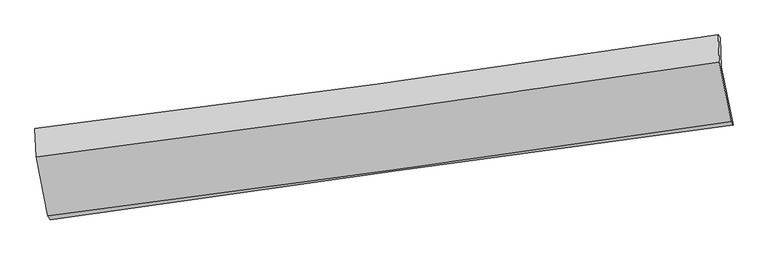
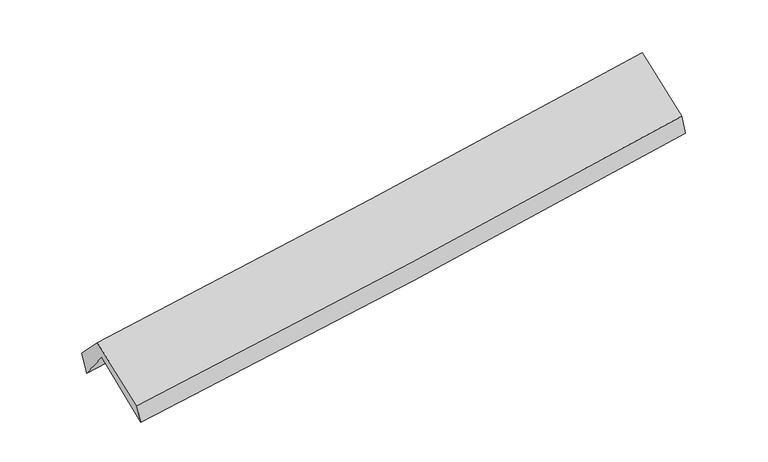
"""IFC4 building model written with IfcOpenShell, lengths in millimetres: proxy geometry."""

from ifc_helpers import new_model, si_unit, frame, origin, place, context, project, spatial, source, transform, mapped, element, save
from ifc_brep_helpers import plane_surface, spline_curve, spline_surface, advanced_brep


def generic_models_b271169b(model_context):
    return source(origin(), model_context, "Body", "AdvancedBrep", [
        advanced_brep(
        [(-2911.2567965, -2502.6358819, 1466.1261872), (-3014.1523827, -1999.8553762, 1892.1239812), (2952.6655806, -1166.445216, 2382.8566289), (3055.987302, -1671.3079542, 1955.094593), (-3021.6631995, -1749.6085929, 1573.2628381), (2943.2077579, -910.9061134, 2078.9741926), (-3043.8450007, -1702.2363708, 1765.0882362), (2926.6191782, -884.0778889, 2236.5218954), (-3031.4844672, -1951.6953229, 2023.7453109), (2935.5365199, -1125.0138403, 2523.0385308), (-2929.6146963, -2466.7461475, 1630.3172312), (3038.1334183, -1641.6531671, 2123.3807245)],
        [
            (0, 1),
            (1, 2, spline_curve(3, [(-3014.1523827, -1999.8553762, 1892.1239812), (-2018.022592362, -1867.199068518, 1964.121431127), (-1022.728501099, -1731.420891635, 2041.014023605), (966.210857848, -1453.617646486, 2204.591350405), (1959.856087615, -1311.592436673, 2291.27630733), (2952.6655806, -1166.445216, 2382.8566289)], [4, 2, 4], [0.0, 9.91604206577917, 19.83230922914245])),
            (2, 3),
            (3, 0, spline_curve(3, [(3055.987302, -1671.3079542, 1955.094593), (2062.830895019, -1806.118436827, 1850.788805771), (1068.976698053, -1942.801812918, 1757.888211918), (-920.104699892, -2219.911206879, 1594.899260814), (-1915.331868946, -2360.337140212, 1524.810386153), (-2911.2567965, -2502.6358819, 1466.1261872)], [4, 2, 4], [0.0, 9.91626716336328, 19.83230922914245])),
            (1, 4),
            (4, 5, spline_curve(3, [(-3021.6631995, -1749.6085929, 1573.2628381), (-2025.524756528, -1615.068197885, 1642.067564354), (-1030.388585668, -1477.906949875, 1718.611974393), (957.901779251, -1198.339576023, 1887.182074485), (1951.055927402, -1055.93333055, 1979.20811601), (2943.2077579, -910.9061134, 2078.9741926)], [4, 2, 4], [0.0, 9.915988130399688, 19.832201357159136])),
            (5, 2),
            (4, 6),
            (6, 7, spline_curve(3, [(-3043.8450007, -1702.2363708, 1765.0882362), (-2045.835741166, -1579.33729535, 1830.244421715), (-1049.298059931, -1449.708734561, 1902.108130533), (940.856732876, -1176.989546064, 2059.252379061), (1934.473778176, -1033.898613222, 2144.5332231), (2926.6191782, -884.0778889, 2236.5218954)], [4, 2, 4], [0.0, 9.916055410232053, 19.83233591835114])),
            (7, 5),
            (6, 8),
            (8, 9, spline_curve(3, [(-3031.4844672, -1951.6953229, 2023.7453109), (-2035.196797076, -1824.534763287, 2102.831223835), (-1039.806846431, -1692.065202229, 2183.981453021), (949.200189749, -1416.50494915, 2350.412432778), (1942.817235257, -1273.414016092, 2435.693276713), (2935.5365199, -1125.0138403, 2523.0385308)], [4, 2, 4], [0.0, 9.915935081039976, 19.832095257235473])),
            (9, 7),
            (8, 10),
            (10, 11, spline_curve(3, [(-2929.6146963, -2466.7461475, 1630.3172312), (-1932.963463818, -2340.379836147, 1706.288292784), (-937.331137323, -2208.43977555, 1785.361946448), (1051.918280192, -1933.409035239, 1949.716303181), (2045.53532547, -1790.318102301, 2034.997147352), (3038.1334183, -1641.6531671, 2123.3807245)], [4, 2, 4], [0.0, 9.915855530806576, 19.831936154962854])),
            (11, 9),
            (10, 0),
            (3, 11),
        ],
        [
            spline_surface(3, 3, [[(-2911.2567965, -2502.6358819, 1466.1261872), (-1915.331869016, -2360.337140191, 1524.810386214), (-920.104699853, -2219.911207031, 1594.899260962), (1068.976698015, -1942.801812765, 1757.88821177), (2062.830894974, -1806.118436701, 1850.788805633), (3055.987302, -1671.3079542, 1955.094593)], [(-2945.555325207, -2335.042379994, 1608.125451873), (-1949.56211012, -2195.957782927, 1671.24740116), (-954.312633591, -2057.081101851, 1743.604181836), (1034.721417997, -1779.740424014, 1906.789258034), (2028.505959222, -1641.276436706, 1997.617972845), (3021.546728189, -1503.020374815, 2097.6819383)], [(-2979.853853993, -2167.448878106, 1750.124716527), (-1983.792351302, -2031.57842568, 1817.684416088), (-988.520567402, -1894.25099673, 1892.309102642), (1000.466137906, -1616.679035322, 2055.69030423), (1994.181023502, -1476.434436665, 2144.447140056), (2987.106154411, -1334.732795385, 2240.2692836)], [(-3014.1523827, -1999.8553762, 1892.1239812), (-2018.022592406, -1867.199068416, 1964.121431034), (-1022.728501139, -1731.420891551, 2041.014023517), (966.210857888, -1453.61764657, 2204.591350493), (1959.856087751, -1311.592436669, 2291.276307267), (2952.6655806, -1166.445216, 2382.8566289)]], [4, 4], [4, 2, 4], [0.0, 2.1978910386015476], [0.0, 9.91604206577917, 19.83230922914245]),
            spline_surface(3, 3, [[(-3014.1523827, -1999.8553762, 1892.1239812), (-2018.022592406, -1867.199068416, 1964.121431034), (-1022.728501139, -1731.420891551, 2041.014023517), (966.210857888, -1453.61764657, 2204.591350493), (1959.856087751, -1311.592436669, 2291.276307267), (2952.6655806, -1166.445216, 2382.8566289)], [(-3016.655988324, -1916.439781756, 1785.836933504), (-2020.52331377, -1783.155444888, 1856.770142172), (-1025.281862624, -1646.916244384, 1933.546673777), (963.441164945, -1368.524956341, 2098.788258468), (1956.92270095, -1226.372734598, 2187.253576881), (2949.51297304, -1081.265515114, 2281.562483492)], [(-3019.159593876, -1833.024187344, 1679.549885796), (-2023.024035063, -1699.111821394, 1749.418853297), (-1027.83522405, -1562.4115972, 1826.079324119), (960.671472061, -1283.432266094, 1992.985166524), (1953.989314129, -1141.153032586, 2083.230846421), (2946.36036546, -996.085814286, 2180.268338008)], [(-3021.6631995, -1749.6085929, 1573.2628381), (-2025.524756427, -1615.068197866, 1642.067564435), (-1030.388585535, -1477.906950034, 1718.61197438), (957.901779119, -1198.339575864, 1887.182074498), (1951.055927328, -1055.933330515, 1979.208116035), (2943.2077579, -910.9061134, 2078.9741926)]], [4, 4], [4, 2, 4], [0.0, 1.341220384504696], [0.0, 9.915988130399688, 19.832201357159136]),
            spline_surface(3, 3, [[(-3021.6631995, -1749.6085929, 1573.2628381), (-2025.524756427, -1615.068197866, 1642.067564435), (-1030.388585535, -1477.906950034, 1718.61197438), (957.901779119, -1198.339575864, 1887.182074498), (1951.055927328, -1055.933330515, 1979.208116035), (2943.2077579, -910.9061134, 2078.9741926)], [(-3029.057133222, -1733.817852206, 1637.204637473), (-2032.295084641, -1603.157897074, 1704.793183487), (-1036.691743721, -1468.507544859, 1779.777359779), (952.220097083, -1191.222899265, 1944.538842701), (1945.528544311, -1048.588424693, 2034.316485073), (2937.67823132, -901.963371892, 2131.490093523)], [(-3036.451066978, -1718.027111494, 1701.146436827), (-2039.065412887, -1591.247596266, 1767.51880252), (-1042.994901894, -1459.10813971, 1840.942745133), (946.53841506, -1184.106222689, 2001.895610859), (1940.001161335, -1041.243518895, 2089.424854144), (2932.14870478, -893.020630408, 2184.005994477)], [(-3043.8450007, -1702.2363708, 1765.0882362), (-2045.835741101, -1579.337295474, 1830.244421572), (-1049.298060079, -1449.708734536, 1902.108130532), (940.856733024, -1176.98954609, 2059.252379062), (1934.473778319, -1033.898613073, 2144.533223183), (2926.6191782, -884.0778889, 2236.5218954)]], [4, 4], [4, 2, 4], [0.0, 0.5918599282386232], [0.0, 9.916055410232053, 19.83233591835114]),
            spline_surface(3, 3, [[(-3043.8450007, -1702.2363708, 1765.0882362), (-2045.835741101, -1579.337295474, 1830.244421572), (-1049.298060079, -1449.708734536, 1902.108130532), (940.856733024, -1176.98954609, 2059.252379062), (1934.473778319, -1033.898613073, 2144.533223183), (2926.6191782, -884.0778889, 2236.5218954)], [(-3039.724822879, -1785.389354832, 1851.307261073), (-2042.289426396, -1661.069784778, 1921.10668901), (-1046.134322233, -1530.494223771, 1996.065904725), (943.637885328, -1256.828013759, 2156.305730278), (1937.254930622, -1113.737080743, 2241.5865744), (2929.591625446, -964.389872727, 2332.027440537)], [(-3035.604645021, -1868.542338868, 1937.526286027), (-2038.743111655, -1742.802274085, 2011.968956528), (-1042.970584425, -1611.279713026, 2090.023678906), (946.419037592, -1336.666481448, 2253.359081483), (1940.036082887, -1193.575548332, 2338.639925604), (2932.564072654, -1044.701856473, 2427.532985663)], [(-3031.4844672, -1951.6953229, 2023.7453109), (-2035.19679695, -1824.534763388, 2102.831223966), (-1039.806846578, -1692.065202261, 2183.981453099), (949.200189896, -1416.504949118, 2350.4124327), (1942.817235191, -1273.414016002, 2435.693276821), (2935.5365199, -1125.0138403, 2523.0385308)]], [4, 4], [4, 2, 4], [0.0, 1.2285486052149863], [0.0, 9.915935081039976, 19.832095257235473]),
            spline_surface(3, 3, [[(-3031.4844672, -1951.6953229, 2023.7453109), (-2035.19679695, -1824.534763388, 2102.831223966), (-1039.806846578, -1692.065202261, 2183.981453099), (949.200189896, -1416.504949118, 2350.4124327), (1942.817235191, -1273.414016002, 2435.693276821), (2935.5365199, -1125.0138403, 2523.0385308)], [(-2997.527876891, -2123.378931106, 1892.60261768), (-2001.119019188, -1996.483120947, 1970.650246898), (-1005.648276875, -1864.190060056, 2051.10828418), (983.439553374, -1588.806311156, 2216.847056216), (1977.056598669, -1445.715378039, 2302.127900337), (2969.735486032, -1297.226949215, 2389.819262027)], [(-2963.571286609, -2295.062539294, 1761.45992442), (-1967.041241454, -2168.431478487, 1838.469269789), (-971.489707168, -2036.314917807, 1918.23511528), (1017.678916856, -1761.107673149, 2083.281679752), (2011.295962151, -1618.016740133, 2168.562523874), (3003.934452168, -1469.440058185, 2256.599993273)], [(-2929.6146963, -2466.7461475, 1630.3172312), (-1932.963463691, -2340.379836046, 1706.288292721), (-937.331137465, -2208.439775602, 1785.361946361), (1051.918280334, -1933.409035187, 1949.716303269), (2045.535325629, -1790.318102171, 2034.99714739), (3038.1334183, -1641.6531671, 2123.3807245)]], [4, 4], [4, 2, 4], [0.0, 2.169249851521753], [0.0, 9.915855530806576, 19.831936154962854]),
            spline_surface(3, 3, [[(-2929.6146963, -2466.7461475, 1630.3172312), (-1932.963463691, -2340.379836046, 1706.288292721), (-937.331137465, -2208.439775602, 1785.361946361), (1051.918280334, -1933.409035187, 1949.716303269), (2045.535325629, -1790.318102171, 2034.99714739), (3038.1334183, -1641.6531671, 2123.3807245)], [(-2923.495396377, -2478.709392306, 1575.586883197), (-1927.086265477, -2347.032270767, 1645.795657215), (-931.588991607, -2212.263586092, 1721.874384553), (1057.604419548, -1936.53996106, 1885.773606095), (2051.300515416, -1795.584880352, 1973.594366793), (3044.084712872, -1651.538096138, 2067.285347322)], [(-2917.376096423, -2490.672637094, 1520.856535203), (-1921.209067231, -2353.68470547, 1585.303021719), (-925.846845711, -2216.087396541, 1658.386822769), (1063.2905588, -1939.670886892, 1821.830908944), (2057.065705187, -1800.85165852, 1912.19158623), (3050.036007428, -1661.423025162, 2011.189970178)], [(-2911.2567965, -2502.6358819, 1466.1261872), (-1915.331869016, -2360.337140191, 1524.810386214), (-920.104699853, -2219.911207031, 1594.899260962), (1068.976698015, -1942.801812765, 1757.88821177), (2062.830894974, -1806.118436701, 1850.788805633), (3055.987302, -1671.3079542, 1955.094593)]], [4, 4], [4, 2, 4], [0.0, 0.6305639128107546], [0.0, 9.915961577847806, 19.83214825145262]),
            plane_surface(frame((2975.3582928, -1233.23403, 2216.6444275), z_axis=(0.9877412290824401, 0.13325092593977242, 0.08131085479137547), x_axis=(0.15517069733433614, -0.7813811709196904, -0.6044547298358659))),
            plane_surface(frame((-2992.0027572, -2062.1296154, 1725.1106308), z_axis=(-0.9877412290824497, -0.13325092593968466, -0.08131085479140283), x_axis=(-0.10858332346806489, 0.21228063616128973, 0.9711573473827955))),
        ],
        [
            (0, [[1, 2, 3, 4]]),
            (1, [[5, 6, 7, -2]]),
            (2, [[8, 9, 10, -6]]),
            (3, [[11, 12, 13, -9]]),
            (4, [[14, 15, 16, -12]]),
            (5, [[17, -4, 18, -15]]),
            (6, [[-16, -18, -3, -7, -10, -13]]),
            (7, [[-17, -14, -11, -8, -5, -1]]),
        ],
    ),
    ])


if __name__ == "__main__":
    model = new_model("IFC4")
    model_context = context("Model", 3, world=origin())
    ifc_project = project(units=[si_unit("LENGTHUNIT", "METRE", prefix="MILLI")], contexts=[model_context])
    site = spatial("IfcSite", under=ifc_project)
    building = spatial("IfcBuilding", under=site)
    placement = place(None, origin())
    generic_models_shape = generic_models_b271169b(model_context)
    element("IfcBuildingElementProxy", 1, Name="Generic Models", at=placement, inside=building, context=model_context, shape_type="MappedRepresentation", body=[
        mapped(generic_models_shape, transform((0.0, 0.0, 0.0), x_axis=(1.0, 0.0, 0.0), y_axis=(0.0, 1.0, 0.0), z_axis=(0.0, 0.0, 1.0))),
    ])
    save(model, "model.ifc")
